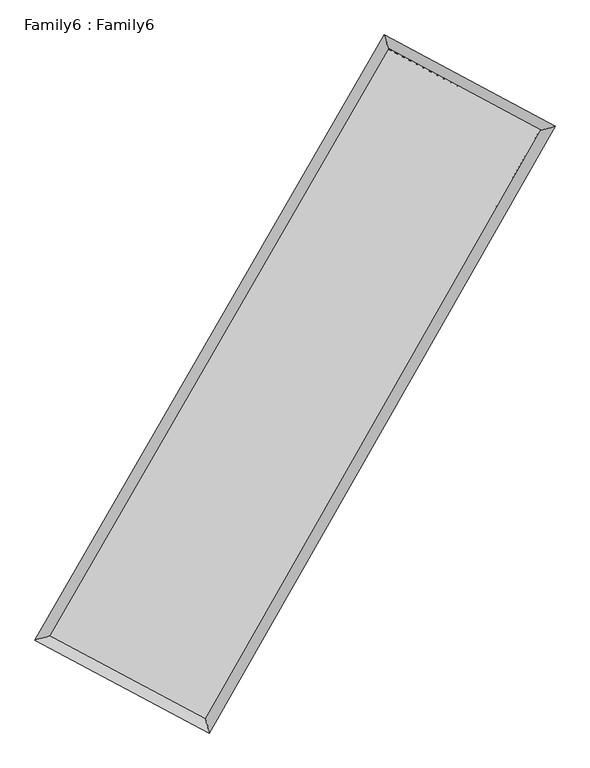
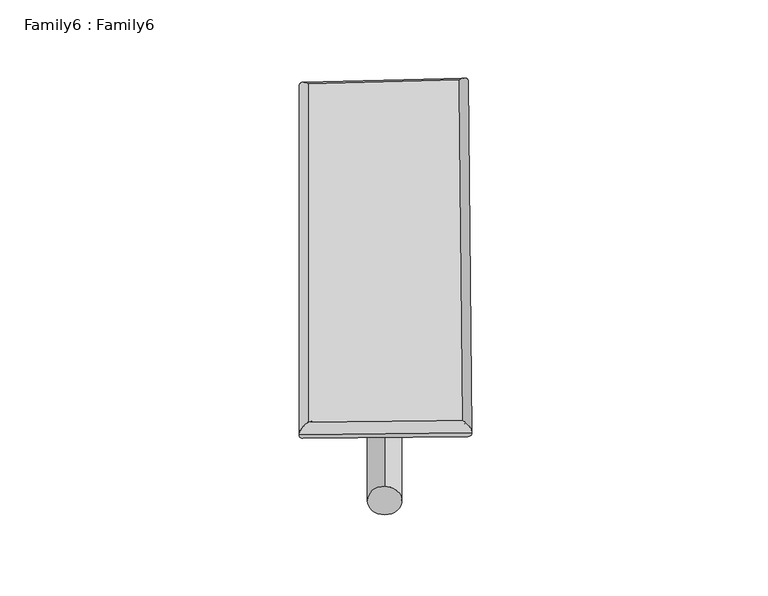
"""IFC4 building model written with IfcOpenShell, lengths in millimetres: plate geometry, Family6 : Family6."""

from ifc_helpers import new_model, si_unit, point, frame, origin, origin_2d, place, context, project, spatial, circle_curve, ellipse_curve, trimmed, segment, composite_curve, outline, extrude, source, transform, mapped, element, save
from ifc_brep_helpers import plane_surface, cylinder_surface, spline_surface, advanced_brep


def family6_family6_0ab97aff(model_context):
    return source(origin(), model_context, "Body", "SolidModel", [
        extrude(outline(composite_curve([segment(trimmed(circle_curve(origin_2d(), 76.2), [point((-75.4341514, -10.7763073))], [point((75.4341514, 10.7763073))], False, "CARTESIAN"), True, "CONTINUOUS"), segment(trimmed(circle_curve(origin_2d(), 76.2), [point((75.4341514, 10.7763073))], [point((-75.4341514, -10.7763073))], False, "CARTESIAN"), True, "CONTINUOUS")], self_intersect=False)), frame((9144.0, 9144.0, 0.0), z_axis=(0.6693724523083071, 0.6909204498094732, 0.27307407809207807), x_axis=(-0.682727341881743, 0.7170136272377339, -0.14062302443937738)), (0.0, 0.0, 1.0), 5627.8767993),
        extrude(outline(composite_curve([segment(trimmed(circle_curve(origin_2d(), 76.2), [point((-53.8815367, 53.8815367))], [point((53.8815367, -53.8815367))], False, "CARTESIAN"), True, "CONTINUOUS"), segment(trimmed(circle_curve(origin_2d(), 76.2), [point((53.8815367, -53.8815367))], [point((-53.8815367, 53.8815367))], False, "CARTESIAN"), True, "CONTINUOUS")], self_intersect=False)), frame((9144.0, 9144.0, 0.0), z_axis=(-0.673217997041916, -0.687411964975933, 0.2724744370886885), x_axis=(0.6411654446584037, -0.3591047006289239, 0.6781966429894816)), (0.0, 0.0, 1.0), 5640.073918),
        extrude(outline(composite_curve([segment(trimmed(circle_curve(origin_2d(), 76.2), [point((-53.8815367, -53.8815367))], [point((53.8815367, 53.8815367))], False, "CARTESIAN"), True, "CONTINUOUS"), segment(trimmed(circle_curve(origin_2d(), 76.2), [point((53.8815367, 53.8815367))], [point((-53.8815367, -53.8815367))], False, "CARTESIAN"), True, "CONTINUOUS")], self_intersect=False)), frame((9144.0, 9144.0, 0.0), z_axis=(0.2550282582186153, 0.9279331388557089, 0.27184679016565727), x_axis=(-0.8433227094176581, 0.3509946730767713, -0.40695152936460477)), (0.0, 0.0, 1.0), 5549.0450488),
        extrude(outline(composite_curve([segment(trimmed(circle_curve(origin_2d(), 76.2), [point((-75.4341515, 10.7763073))], [point((75.4341515, -10.7763073))], False, "CARTESIAN"), True, "CONTINUOUS"), segment(trimmed(circle_curve(origin_2d(), 76.2), [point((75.4341515, -10.7763073))], [point((-75.4341515, 10.7763073))], False, "CARTESIAN"), True, "CONTINUOUS")], self_intersect=False)), frame((9144.0, 9144.0, 0.0), z_axis=(-0.24980071220060923, -0.9293896153884065, 0.2717251313225524), x_axis=(0.8859123757225376, -0.10609355558218708, 0.4515566631172425)), (0.0, 0.0, 1.0), 5552.9695141),
        advanced_brep(
        [(5136.2046734, 5206.6178642, 1534.6876246), (5136.1794356, 5206.5842135, 1539.3945317), (5557.7967941, 5327.2735466, 1538.8643073), (10617.28734, 14089.0798581, 1511.406962), (10501.0392472, 14497.2057215, 1505.5732081), (5557.8220319, 5327.3071972, 1534.1574002), (12701.3325553, 12971.9739802, 1536.5159814), (13120.9588335, 13092.856359, 1537.1385558), (7697.7618724, 4187.287003, 1509.387219), (7815.9666487, 3778.968595, 1508.375522)],
        [
            (0, 1, ellipse_curve(frame((5347.0007337, 5266.9457054, 1536.775966), z_axis=(-0.2751898455876417, 0.9613747528556251, 0.005397541777100002), x_axis=(-0.961336553145801, -0.2752293838198812, 0.008989875854486089)), 219.3089936, 152.4)),
            (1, 2, ellipse_curve(frame((5347.0007337, 5266.9457054, 1536.775966), z_axis=(-0.2751898455876417, 0.9613747528556251, 0.005397541777100002), x_axis=(-0.961336553145801, -0.2752293838198812, 0.008989875854486089)), 219.3089936, 152.4)),
            (2, 3),
            (3, 4, ellipse_curve(frame((10559.1632936, 14293.1427898, 1508.490085), z_axis=(-0.961711991111111, -0.27400686517765444, -0.005503089006806662), x_axis=(0.2739477396418583, -0.961696867831687, 0.00957968412002279)), 212.2011472, 152.4)),
            (4, 0),
            (2, 5, ellipse_curve(frame((5347.0007337, 5266.9457054, 1536.775966), z_axis=(-0.2751898455876417, 0.9613747528556251, 0.005397541777100002), x_axis=(-0.961336553145801, -0.2752293838198812, 0.008989875854486089)), 219.3089936, 152.4)),
            (5, 0, ellipse_curve(frame((5347.0007337, 5266.9457054, 1536.775966), z_axis=(-0.2751898455876417, 0.9613747528556251, 0.005397541777100002), x_axis=(-0.961336553145801, -0.2752293838198812, 0.008989875854486089)), 219.3089936, 152.4)),
            (4, 3, ellipse_curve(frame((10559.1632936, 14293.1427898, 1508.490085), z_axis=(-0.961711991111111, -0.27400686517765444, -0.005503089006806662), x_axis=(0.2739477396418583, -0.961696867831687, 0.00957968412002279)), 212.2011472, 152.4)),
            (3, 6),
            (6, 7, ellipse_curve(frame((12911.1456944, 13032.4151696, 1536.8272686), z_axis=(-0.2768023836207703, 0.9609100521745768, -0.005684369068952341), x_axis=(-0.9608695221966006, -0.2768456469413498, -0.009287038456998405)), 218.3526727, 152.4)),
            (7, 4),
            (7, 6, ellipse_curve(frame((12911.1456944, 13032.4151696, 1536.8272686), z_axis=(-0.2768023836207703, 0.9609100521745768, -0.005684369068952341), x_axis=(-0.9608695221966006, -0.2768456469413498, -0.009287038456998405)), 218.3526727, 152.4)),
            (6, 8),
            (8, 9, ellipse_curve(frame((7756.8642605, 3983.127799, 1508.8813705), z_axis=(0.9605429253665979, 0.27808218551610514, -0.005252297284483019), x_axis=(-0.27802743778314876, 0.9605285720319274, 0.009252359160978729)), 212.5472777, 152.4)),
            (9, 7),
            (9, 8, ellipse_curve(frame((7756.8642605, 3983.127799, 1508.8813705), z_axis=(0.9605429253665979, 0.27808218551610514, -0.005252297284483019), x_axis=(-0.27802743778314876, 0.9605285720319274, 0.009252359160978729)), 212.5472777, 152.4)),
            (8, 5),
            (1, 9),
        ],
        [
            cylinder_surface(frame((5347.0007337, 5266.9457054, 1536.775966), z_axis=(-0.5000618560641614, -0.8659854360663487, 0.0027137852977851045), x_axis=(-0.8658929920948085, 0.4999567353183618, -0.016510271073054136)), 152.4),
            cylinder_surface(frame((10559.1632936, 14293.1427898, 1508.490085), z_axis=(-0.8813152888572615, 0.47240937108386805, -0.010618273804461922), x_axis=(0.47250033832921995, 0.8812860358093221, -0.008851743684900909)), 152.4),
            cylinder_surface(frame((12911.1456944, 13032.4151696, 1536.8272686), z_axis=(0.4949249347910587, 0.8689315900336646, 0.002683423863991044), x_axis=(0.8689354429107159, -0.4949249347910587, -0.000710616369258659)), 152.4),
            cylinder_surface(frame((7756.8642605, 3983.127799, 1508.8813705), z_axis=(0.882526175254623, -0.4701523111410564, -0.010215396182708449), x_axis=(-0.47010695768068367, -0.8825846920195793, 0.006611335184077278)), 152.4),
        ],
        [
            (0, [[1, 2, 3, 4, 5]]),
            (0, [[6, 7, -5, 8, -3]]),
            (1, [[-4, 9, 10, 11]]),
            (1, [[-8, -11, 12, -9]]),
            (2, [[-10, 13, 14, 15]]),
            (2, [[-12, -15, 16, -13]]),
            (3, [[-14, 17, -6, -2, 18]]),
            (3, [[-16, -18, -1, -7, -17]]),
        ],
    ),
        extrude(outline(composite_curve([segment(trimmed(circle_curve(origin_2d(), 304.8), [point((-1e-07, -304.8))], [point((-1e-07, 304.8))], False, "CARTESIAN"), True, "CONTINUOUS"), segment(trimmed(circle_curve(origin_2d(), 304.8), [point((-1e-07, 304.8))], [point((-1e-07, -304.8))], False, "CARTESIAN"), True, "CONTINUOUS")], self_intersect=False)), frame((6526.8078079, 4610.8983396, -0.0069647), z_axis=(0.5000006774679425, 0.8660250126467641, 1.330563450024071e-06), x_axis=(-0.866025012647713, 0.5000006774679426, 3.565239597096737e-07)), (0.0, 0.0, 1.0), 10468.7545838),
        advanced_brep(
        [(5347.0007337, 5266.9457054, 1536.775966), (7756.8642605, 3983.127799, 1508.8813705), (7756.8704035, 3983.1272998, 1661.2813703), (5347.0068767, 5266.9452062, 1689.1759658), (12911.1456944, 13032.4151696, 1536.8272686), (12911.1518374, 13032.4146704, 1689.2272684), (10559.1632936, 14293.1427898, 1508.490085), (10559.1694366, 14293.1422907, 1660.8900849)],
        [
            (0, 1),
            (1, 2),
            (2, 3),
            (3, 0),
            (1, 4),
            (4, 5),
            (5, 2),
            (4, 6),
            (6, 7),
            (7, 5),
            (6, 0),
            (3, 7),
        ],
        [
            plane_surface(frame((6551.9324971, 4625.0367522, 1522.8286682), z_axis=(-0.4701766993990362, -0.882572303601389, 1.6061325645233375e-05), x_axis=(0.8825261752546233, -0.47015231114105605, -0.010215396182708439))),
            plane_surface(frame((10334.0049775, 8507.7714843, 1522.8543195), z_axis=(0.8689347666228686, -0.4949266309374523, -3.6646473639769753e-05), x_axis=(0.4949249347910587, 0.8689315900336646, 0.0026834238639910565))),
            plane_surface(frame((11735.154494, 13662.7789797, 1522.6586768), z_axis=(0.4724361560275197, 0.881364895044563, -1.6156355515400782e-05), x_axis=(-0.8813152888572614, 0.4724093710838679, -0.010618273804461913))),
            plane_surface(frame((7953.0820137, 9780.0442476, 1522.6330255), z_axis=(-0.8659885747436095, 0.5000637830097562, 3.654454340292477e-05), x_axis=(-0.5000618560641612, -0.8659854360663485, 0.002713785297785111))),
            spline_surface(1, 1, [[(7756.8704035, 3983.1272998, 1661.2813703), (5347.0068767, 5266.9452062, 1689.1759658)], [(12911.1518374, 13032.4146704, 1689.2272684), (10559.1694366, 14293.1422907, 1660.8900849)]], [2, 2], [2, 2], [0.0, 1.0], [0.0, 1.0]),
            spline_surface(1, 1, [[(10559.1632936, 14293.1427898, 1508.490085), (5347.0007337, 5266.9457054, 1536.775966)], [(12911.1456944, 13032.4151696, 1536.8272686), (7756.8642605, 3983.127799, 1508.8813705)]], [2, 2], [2, 2], [0.0, 1.0], [0.0, 1.0]),
        ],
        [
            (0, [[1, 2, 3, 4]]),
            (1, [[5, 6, 7, -2]]),
            (2, [[8, 9, 10, -6]]),
            (3, [[11, -4, 12, -9]]),
            (4, [[-3, -7, -10, -12]]),
            (5, [[-11, -8, -5, -1]]),
        ],
    ),
    ])


if __name__ == "__main__":
    model = new_model("IFC4")
    model_context = context("Model", 3, world=origin())
    ifc_project = project(units=[si_unit("LENGTHUNIT", "METRE", prefix="MILLI")], contexts=[model_context])
    site = spatial("IfcSite", under=ifc_project)
    building = spatial("IfcBuilding", under=site)
    placement = place(None, origin())
    family6_family6_shape = family6_family6_0ab97aff(model_context)
    element("IfcPlate", 1, ObjectType="Family6 : Family6", at=placement, inside=building, context=model_context, shape_type="MappedRepresentation", body=[
        mapped(family6_family6_shape, transform((0.0, 0.0, 0.0), x_axis=(1.0, 0.0, 0.0), y_axis=(0.0, 1.0, 0.0), z_axis=(0.0, 0.0, 1.0))),
    ])
    save(model, "model.ifc")
